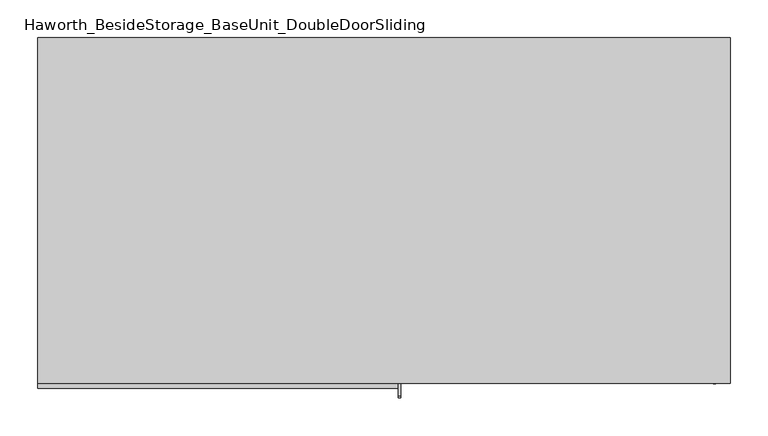
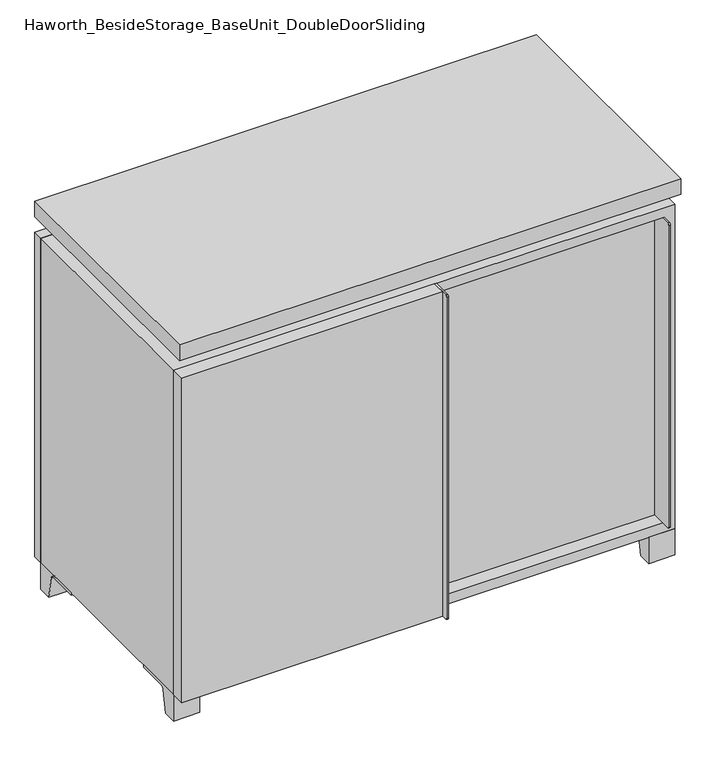
"""IFC4 building model written with IfcOpenShell, lengths in millimetres: furniture geometry, Haworth_BesideStorage_BaseUnit_DoubleDoorSliding."""

from ifc_helpers import new_model, si_unit, point, frame, frame_2d, origin, place, context, project, spatial, polyline, circle_curve, trimmed, segment, composite_curve, outline, extrude, faceted_brep, source, transform, mapped, element, save


def haworth_besidestorage_baseunit_doubledoorsliding_54eda9ab(model_context):
    return source(origin(), model_context, "Body", "SolidModel", [
        extrude(outline(polyline([(9.5319453, 241.3), (438.1569453, 241.3), (438.1569453, -92.075), (9.5319453, -92.075), (9.5319453, 241.3)])), frame((0.0, 0.0, 354.0125), z_axis=(0.0, 0.0, 1.0), x_axis=(1.0, 0.0, 0.0)), (0.0, 0.0, 1.0), 19.05),
        extrude(outline(polyline([(-9.5041641, 241.3), (-9.5041641, -92.075), (-438.1291641, -92.075), (-438.1291641, 241.3), (-9.5041641, 241.3)])), frame((0.0, 0.0, 354.0125), z_axis=(0.0, 0.0, 1.0), x_axis=(1.0, 0.0, 0.0)), (0.0, 0.0, 1.0), 19.05),
        extrude(outline(composite_curve([segment(polyline([(-95.25, 657.225), (-95.25, 69.85), (-161.925, 69.85)]), True, "CONTINUOUS"), segment(trimmed(circle_curve(frame_2d((-161.925, 73.025)), 3.175), [point((-161.925, 69.85))], [point((-165.1, 73.025))], False, "CARTESIAN"), True, "CONTINUOUS"), segment(polyline([(-165.1, 73.025), (-165.1, 654.05)]), True, "CONTINUOUS"), segment(trimmed(circle_curve(frame_2d((-161.925, 654.05)), 3.175), [point((-165.1, 654.05))], [point((-161.925, 657.225))], False, "CARTESIAN"), True, "CONTINUOUS"), segment(polyline([(-161.925, 657.225), (-95.25, 657.225)]), True, "CONTINUOUS")], self_intersect=False)), frame((434.9819453, 0.0, 0.0), z_axis=(1.0, 0.0, 0.0), x_axis=(0.0, 1.0, 0.0)), (0.0, 0.0, 1.0), 3.175),
        extrude(outline(polyline([(15.8819453, -95.25), (434.9819453, -95.25), (434.9819453, -120.65), (15.8819453, -120.65), (15.8819453, -95.25)])), frame((0.0, 0.0, 69.85), z_axis=(0.0, 0.0, 1.0), x_axis=(1.0, 0.0, 0.0)), (0.0, 0.0, 1.0), 587.375),
        extrude(outline(polyline([(457.2138906, 292.1), (457.2138906, -165.1), (-457.1861094, -165.1), (-457.1861094, 292.1), (457.2138906, 292.1)])), frame((0.0, 0.0, 706.4375), z_axis=(0.0, 0.0, 1.0), x_axis=(1.0, 0.0, 0.0)), (0.0, 0.0, 1.0), 30.1625),
        extrude(outline(composite_curve([segment(polyline([(-146.05, 676.275), (-146.05, 50.8), (-180.975, 50.8)]), True, "CONTINUOUS"), segment(trimmed(circle_curve(frame_2d((-180.975, 53.975)), 3.175), [point((-180.975, 50.8))], [point((-184.15, 53.975))], False, "CARTESIAN"), True, "CONTINUOUS"), segment(polyline([(-184.15, 53.975), (-184.15, 673.1)]), True, "CONTINUOUS"), segment(trimmed(circle_curve(frame_2d((-180.975, 673.1)), 3.175), [point((-184.15, 673.1))], [point((-180.975, 676.275))], False, "CARTESIAN"), True, "CONTINUOUS"), segment(polyline([(-180.975, 676.275), (-146.05, 676.275)]), True, "CONTINUOUS")], self_intersect=False)), frame((19.0638906, 0.0, 0.0), z_axis=(1.0, 0.0, 0.0), x_axis=(0.0, 1.0, 0.0)), (0.0, 0.0, 1.0), 3.175),
        extrude(outline(polyline([(-457.1861094, -146.05), (19.0638906, -146.05), (19.0638906, -171.45), (-457.1861094, -171.45), (-457.1861094, -146.05)])), frame((0.0, 0.0, 50.8), z_axis=(0.0, 0.0, 1.0), x_axis=(1.0, 0.0, 0.0)), (0.0, 0.0, 1.0), 625.475),
        extrude(outline(composite_curve([segment(polyline([(-120.6500136, 0.0), (-146.05, 0.0), (-146.05, 50.8), (-50.8, 50.8), (-50.8, 46.0213321), (-107.6005345, 46.0213321)]), True, "CONTINUOUS"), segment(trimmed(circle_curve(frame_2d((-107.6005345, 39.6713321)), 6.35), [point((-107.6005345, 46.0213321))], [point((-113.8641359, 40.7152656))], True, "CARTESIAN"), True, "CONTINUOUS"), segment(polyline([(-113.8641359, 40.7152656), (-120.6500136, 0.0)]), True, "CONTINUOUS")], self_intersect=False)), frame((409.5888906, 0.0, 0.0), z_axis=(1.0, 0.0, 0.0), x_axis=(0.0, 1.0, 0.0)), (0.0, 0.0, 1.0), 47.625),
        extrude(outline(composite_curve([segment(polyline([(247.6500136, 0.0), (240.8641359, 40.7152656)]), True, "CONTINUOUS"), segment(trimmed(circle_curve(frame_2d((234.6005345, 39.6713321)), 6.35), [point((240.8641359, 40.7152656))], [point((234.6005345, 46.0213321))], True, "CARTESIAN"), True, "CONTINUOUS"), segment(polyline([(234.6005345, 46.0213321), (177.8, 46.0213321), (177.8, 50.8), (273.05, 50.8), (273.05, 0.0), (247.6500136, 0.0)]), True, "CONTINUOUS")], self_intersect=False)), frame((409.5888906, 0.0, 0.0), z_axis=(1.0, 0.0, 0.0), x_axis=(0.0, 1.0, 0.0)), (0.0, 0.0, 1.0), 47.625),
        extrude(outline(composite_curve([segment(polyline([(-120.6500136, 0.0), (-146.05, 0.0), (-146.05, 50.8), (-50.8, 50.8), (-50.8, 46.0213321), (-107.6005345, 46.0213321)]), True, "CONTINUOUS"), segment(trimmed(circle_curve(frame_2d((-107.6005345, 39.6713321)), 6.35), [point((-107.6005345, 46.0213321))], [point((-113.8641359, 40.7152656))], True, "CARTESIAN"), True, "CONTINUOUS"), segment(polyline([(-113.8641359, 40.7152656), (-120.6500136, 0.0)]), True, "CONTINUOUS")], self_intersect=False)), frame((-457.1861094, 0.0, 0.0), z_axis=(1.0, 0.0, 0.0), x_axis=(0.0, 1.0, 0.0)), (0.0, 0.0, 1.0), 47.625),
        extrude(outline(composite_curve([segment(polyline([(247.6500136, 0.0), (240.8641359, 40.7152656)]), True, "CONTINUOUS"), segment(trimmed(circle_curve(frame_2d((234.6005345, 39.6713321)), 6.35), [point((240.8641359, 40.7152656))], [point((234.6005345, 46.0213321))], True, "CARTESIAN"), True, "CONTINUOUS"), segment(polyline([(234.6005345, 46.0213321), (177.8, 46.0213321), (177.8, 50.8), (273.05, 50.8), (273.05, 0.0), (247.6500136, 0.0)]), True, "CONTINUOUS")], self_intersect=False)), frame((-457.1861094, 0.0, 0.0), z_axis=(1.0, 0.0, 0.0), x_axis=(0.0, 1.0, 0.0)), (0.0, 0.0, 1.0), 47.625),
        faceted_brep([(7.9513906, -120.65, 706.4375), (7.9513906, -120.65, 676.275), (7.9513906, 53.975, 676.275), (7.9513906, 53.975, 706.4375), (7.9513906, 247.65, 676.275), (7.9513906, 247.65, 706.4375), (7.9513906, 73.025, 706.4375), (7.9513906, 73.025, 676.275), (-7.9236094, 247.65, 706.4375), (-7.9236094, 247.65, 676.275), (-7.9236094, 73.025, 676.275), (-7.9236094, 73.025, 706.4375), (-7.9236094, -120.65, 676.275), (-7.9236094, -120.65, 706.4375), (-7.9236094, 53.975, 706.4375), (-7.9236094, 53.975, 676.275), (-415.8833281, 73.025, 706.4375), (-415.9041641, 247.65, 706.4375), (-431.7791641, 247.65, 706.4375), (-431.7791641, -120.65, 706.4375), (-415.9041641, -120.65, 706.4375), (-415.9041641, 53.975, 706.4375), (415.9111094, 53.975, 706.4375), (415.9111094, -120.65, 706.4375), (431.7861094, -120.65, 706.4375), (431.7861094, 247.65, 706.4375), (415.9111094, 247.65, 706.4375), (415.9111094, 73.025, 706.4375), (-415.8833281, 53.975, 676.275), (-415.9041641, -120.65, 676.275), (-431.7791641, -120.65, 676.275), (-431.7791641, 247.65, 676.275), (-415.9041641, 247.65, 676.275), (-415.9041641, 73.025, 676.275), (415.9111094, 73.025, 676.275), (415.9111094, 247.65, 676.275), (431.7861094, 247.65, 676.275), (431.7861094, -120.65, 676.275), (415.9111094, -120.65, 676.275), (415.9111094, 53.975, 676.275)], [[[0, 1, 2, 3]], [[4, 5, 6, 7]], [[8, 9, 10, 11]], [[12, 13, 14, 15]], [[5, 8, 11, 16, 17, 18, 19, 20, 21, 14, 13, 0, 3, 22, 23, 24, 25, 26, 27, 6]], [[1, 12, 15, 28, 29, 30, 31, 32, 33, 10, 9, 4, 7, 34, 35, 36, 37, 38, 39, 2]], [[5, 4, 9, 8]], [[1, 0, 13, 12]], [[6, 27, 34, 7]], [[22, 3, 2, 39]], [[20, 29, 28, 21]], [[32, 17, 16, 33]], [[18, 31, 30, 19]], [[29, 20, 19, 30]], [[17, 32, 31, 18]], [[26, 35, 34, 27]], [[38, 23, 22, 39]], [[25, 24, 37, 36]], [[23, 38, 37, 24]], [[35, 26, 25, 36]], [[16, 11, 10, 33]], [[14, 21, 28, 15]]]),
        extrude(outline(polyline([(9.5388906, 241.3), (9.5388906, -95.25), (-9.5111094, -95.25), (-9.5111094, 241.3), (9.5388906, 241.3)])), frame((0.0, 0.0, 69.85), z_axis=(0.0, 0.0, 1.0), x_axis=(1.0, 0.0, 0.0)), (0.0, 0.0, 1.0), 587.375),
        extrude(outline(polyline([(15.8888906, -88.9), (15.8888906, -146.05), (-9.5111094, -146.05), (-9.5111094, -120.65), (3.1888906, -120.65), (3.1888906, -88.9), (15.8888906, -88.9)])), frame((0.0, 0.0, 69.85), z_axis=(0.0, 0.0, 1.0), x_axis=(1.0, 0.0, 0.0)), (0.0, 0.0, 1.0), 587.375),
        extrude(outline(polyline([(457.2138906, 273.05), (-457.1861094, 273.05), (-457.1861094, 292.1), (457.2138906, 292.1), (457.2138906, 273.05)])), frame((0.0, 0.0, 50.8), z_axis=(0.0, 0.0, 1.0), x_axis=(1.0, 0.0, 0.0)), (0.0, 0.0, 1.0), 625.475),
        extrude(outline(polyline([(50.8, -457.1861094), (50.8, 457.2), (676.275, 457.2), (676.275, -457.1861094), (50.8, -457.1861094)]), holes=[polyline([(69.85, -438.1361094), (657.225, -438.1361094), (657.225, 438.1361094), (69.85, 438.1361094), (69.85, -438.1361094)])]), frame((0.0, -146.05, 0.0), z_axis=(0.0, 1.0, 0.0), x_axis=(0.0, 0.0, 1.0)), (0.0, 0.0, 1.0), 419.1),
        extrude(outline(polyline([(-438.1291641, 241.3), (-438.1291641, 247.65), (438.1569453, 247.65), (438.1569453, 241.3), (-438.1291641, 241.3)])), frame((0.0, 0.0, 69.85), z_axis=(0.0, 0.0, 1.0), x_axis=(1.0, 0.0, 0.0)), (0.0, 0.0, 1.0), 587.375),
    ])


if __name__ == "__main__":
    model = new_model("IFC4")
    model_context = context("Model", 3, world=origin())
    ifc_project = project(units=[si_unit("LENGTHUNIT", "METRE", prefix="MILLI")], contexts=[model_context])
    site = spatial("IfcSite", under=ifc_project)
    building = spatial("IfcBuilding", under=site)
    placement = place(None, origin())
    haworth_besidestorage_baseunit_doubledoorsliding_shape = haworth_besidestorage_baseunit_doubledoorsliding_54eda9ab(model_context)
    element("IfcFurniture", 1, ObjectType="Haworth_BesideStorage_BaseUnit_DoubleDoorSliding", at=placement, inside=building, context=model_context, shape_type="MappedRepresentation", body=[
        mapped(haworth_besidestorage_baseunit_doubledoorsliding_shape, transform((0.0, 0.0, 0.0), x_axis=(1.0, 0.0, 0.0), y_axis=(0.0, 1.0, 0.0), z_axis=(0.0, 0.0, 1.0))),
    ])
    save(model, "model.ifc")
